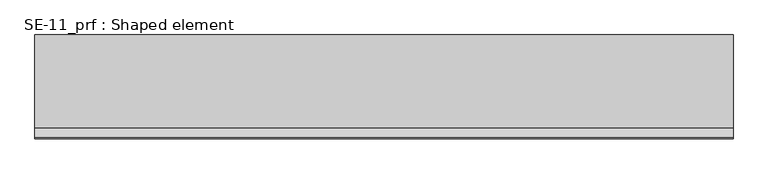
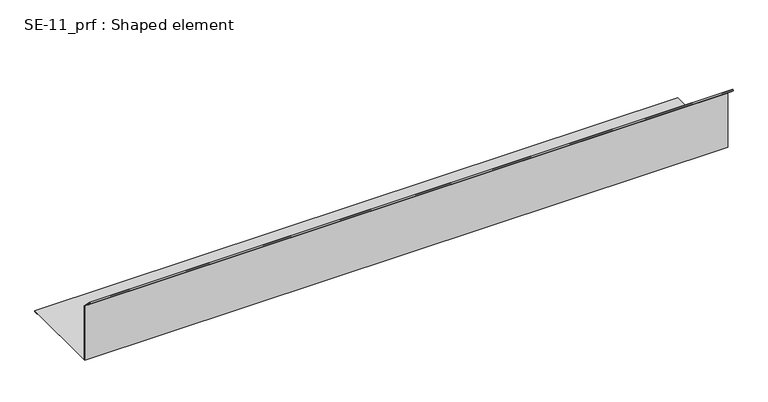
"""IFC4 building model written with IfcOpenShell, lengths in millimetres: proxy geometry, SE-11_prf : Shaped element."""

from ifc_helpers import new_model, si_unit, frame, origin, place, context, project, spatial, polyline, outline, extrude, source, transform, mapped, element, save


def se_11_prf_shaped_element_297b4b42(model_context):
    return source(origin(), model_context, "Body", "SweptSolid", [
        extrude(outline(polyline([(29.0, 5.0), (229.0, 5.0), (229.0, 2.0), (219.0, 2.0), (219.0, 3.0), (228.0, 3.0), (228.0, 4.0), (28.0, 4.0), (28.0, 138.0735165), (7.7867966, 158.2867199), (7.0796898, 157.5796131), (13.4436508, 151.2156521), (12.736544, 150.5085453), (5.6654762, 157.5796131), (7.7867966, 159.7009335), (29.0, 138.48773), (29.0, 5.0)])), frame((0.0, 0.0, 0.0), z_axis=(1.0, 0.0, 0.0), x_axis=(0.0, 1.0, 0.0)), (0.0, 0.0, 1.0), 1500.0),
    ])


if __name__ == "__main__":
    model = new_model("IFC4")
    model_context = context("Model", 3, world=origin())
    ifc_project = project(units=[si_unit("LENGTHUNIT", "METRE", prefix="MILLI")], contexts=[model_context])
    site = spatial("IfcSite", under=ifc_project)
    building = spatial("IfcBuilding", under=site)
    placement = place(None, origin())
    se_11_prf_shaped_element_shape = se_11_prf_shaped_element_297b4b42(model_context)
    element("IfcBuildingElementProxy", 1, Name="SE-11_prf : Shaped element", ObjectType="SE-11_prf : Shaped element", at=placement, inside=building, context=model_context, shape_type="MappedRepresentation", body=[
        mapped(se_11_prf_shaped_element_shape, transform((0.0, 0.0, 0.0), x_axis=(1.0, 0.0, 0.0), y_axis=(0.0, 1.0, 0.0), z_axis=(0.0, 0.0, 1.0))),
    ])
    save(model, "model.ifc")
